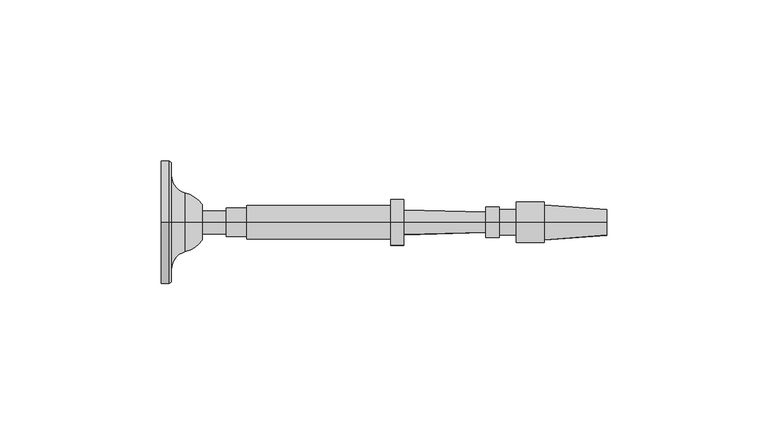
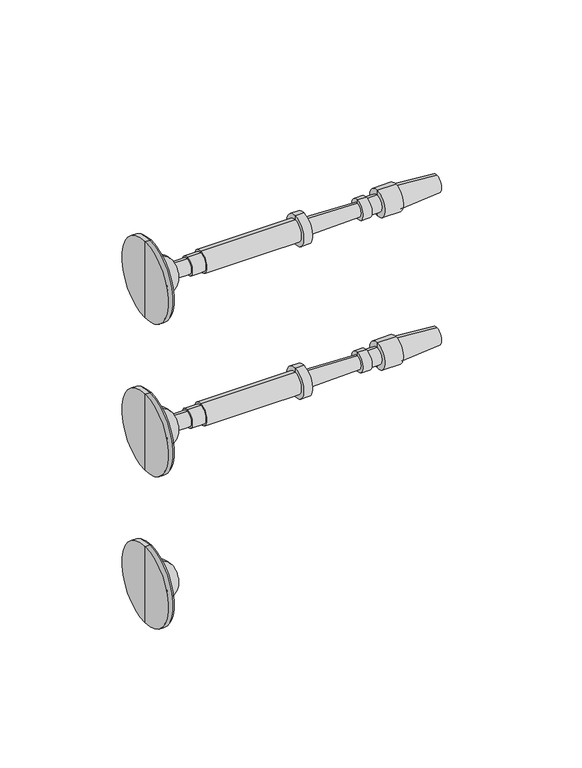
"""IFC4 building model written with IfcOpenShell, lengths in millimetres: railing geometry."""

from ifc_helpers import new_model, si_unit, point, frame, origin, place, context, project, spatial, polyline, circle_curve, ellipse_curve, trimmed, source, transform, mapped, element, save
from ifc_brep_helpers import plane_surface, cylinder_surface, revolved_surface, advanced_brep


def railing_03d107fd(model_context):
    return source(origin(), model_context, "Body", "AdvancedBrep", [
        advanced_brep(
        [(1809.936189, 16706.2866843, 32915.0001631), (1809.936189, 16706.2866843, 32895.9501631), (1809.936189, 16706.2866843, 32934.0501631), (1822.6288256, 16706.2866843, 32909.4769785), (1822.6288256, 16706.2866843, 32915.0001631), (1822.6288256, 16706.2866843, 32920.5233478), (1817.3527292, 16706.2866843, 32905.8720381), (1817.3527292, 16706.2866843, 32924.1282881), (1812.9871042, 16706.2866843, 32900.2458254), (1812.9871042, 16706.2866843, 32929.7545009), (1812.9871042, 16706.2866843, 32896.3762941), (1812.9871042, 16706.2866843, 32933.6240321), (1812.317439, 16706.2866843, 32895.9501631), (1812.317439, 16706.2866843, 32934.0501631)],
        [
            (0, 1),
            (1, 2, circle_curve(frame((1809.936189, 16706.2866843, 32915.0001631), z_axis=(-1.0, 0.0, 0.0), x_axis=(0.0, 0.0, 1.0)), 19.05)),
            (2, 0),
            (2, 1, circle_curve(frame((1809.936189, 16706.2866843, 32915.0001631), z_axis=(-1.0, 0.0, 0.0), x_axis=(0.0, 0.0, 1.0)), 19.05)),
            (3, 4),
            (4, 5),
            (5, 3, circle_curve(frame((1822.6288256, 16706.2866843, 32915.0001631), z_axis=(1.0, 0.0, 0.0), x_axis=(0.0, 0.0, 1.0)), 5.5231846)),
            (3, 5, circle_curve(frame((1822.6288256, 16706.2866843, 32915.0001631), z_axis=(1.0, 0.0, 0.0), x_axis=(0.0, 0.0, 1.0)), 5.5231846)),
            (6, 3, circle_curve(frame((1815.0283205, 16706.2866843, 32914.9374304), z_axis=(0.0, -1.0, 0.0), x_axis=(1.0, 0.0, 0.0)), 9.3586438)),
            (5, 7, circle_curve(frame((1815.0283205, 16706.2866843, 32915.0628958), z_axis=(0.0, -1.0, 0.0), x_axis=(1.0, 0.0, 0.0)), 9.3586438)),
            (7, 6, circle_curve(frame((1817.3527292, 16706.2866843, 32915.0001631), z_axis=(1.0, 0.0, 0.0), x_axis=(0.0, 0.0, 1.0)), 9.128125)),
            (6, 7, circle_curve(frame((1817.3527292, 16706.2866843, 32915.0001631), z_axis=(1.0, 0.0, 0.0), x_axis=(0.0, 0.0, 1.0)), 9.128125)),
            (8, 6, circle_curve(frame((1818.7953162, 16706.2866843, 32900.2458254), z_axis=(0.0, 1.0, 0.0), x_axis=(1.0, 0.0, 0.0)), 5.8082121)),
            (7, 9, circle_curve(frame((1818.7953162, 16706.2866843, 32929.7545009), z_axis=(0.0, 1.0, 0.0), x_axis=(1.0, 0.0, 0.0)), 5.8082121)),
            (9, 8, circle_curve(frame((1812.9871042, 16706.2866843, 32915.0001631), z_axis=(1.0, 0.0, 0.0), x_axis=(0.0, 0.0, 1.0)), 14.7543378)),
            (8, 9, circle_curve(frame((1812.9871042, 16706.2866843, 32915.0001631), z_axis=(1.0, 0.0, 0.0), x_axis=(0.0, 0.0, 1.0)), 14.7543378)),
            (10, 8),
            (9, 11),
            (11, 10, circle_curve(frame((1812.9871042, 16706.2866843, 32915.0001631), z_axis=(1.0, 0.0, 0.0), x_axis=(0.0, 0.0, 1.0)), 18.623869)),
            (10, 11, circle_curve(frame((1812.9871042, 16706.2866843, 32915.0001631), z_axis=(1.0, 0.0, 0.0), x_axis=(0.0, 0.0, 1.0)), 18.623869)),
            (12, 10),
            (11, 13),
            (13, 12, circle_curve(frame((1812.317439, 16706.2866843, 32915.0001631), z_axis=(1.0, 0.0, 0.0), x_axis=(0.0, 0.0, 1.0)), 19.05)),
            (12, 13, circle_curve(frame((1812.317439, 16706.2866843, 32915.0001631), z_axis=(1.0, 0.0, 0.0), x_axis=(0.0, 0.0, 1.0)), 19.05)),
            (1, 12),
            (13, 2),
        ],
        [
            plane_surface(frame((1809.936189, 16706.2866843, 32915.0001631), z_axis=(-1.0, 0.0, 0.0), x_axis=(0.0, 0.0, 1.0))),
            plane_surface(frame((1822.6288256, 16706.2866843, 32915.0001631), z_axis=(1.0, 0.0, 0.0), x_axis=(0.0, 0.0, 1.0))),
            revolved_surface(trimmed(ellipse_curve(frame((1815.0283205, 16706.2866843, 32915.0628958), z_axis=(0.0, -1.0, 0.0), x_axis=(1.0, 0.0, 0.0)), 9.3586438, 9.3586438), [point((1822.6288256, 16706.2866843, 32920.5233478))], [point((1817.3527292, 16706.2866843, 32924.1282881))], True, "CARTESIAN"), (1809.936189, 16706.2866843, 32915.0001631), (-1.0, 0.0, 0.0)),
            revolved_surface(trimmed(ellipse_curve(frame((1818.7953162, 16706.2866843, 32929.7545009), z_axis=(0.0, 1.0, 0.0), x_axis=(1.0, 0.0, 0.0)), 5.8082121, 5.8082121), [point((1817.3527292, 16706.2866843, 32924.1282881))], [point((1812.9871042, 16706.2866843, 32929.7545009))], True, "CARTESIAN"), (1809.936189, 16706.2866843, 32915.0001631), (-1.0, 0.0, 0.0)),
            plane_surface(frame((1812.9871042, 16706.2866843, 32915.0001631), z_axis=(1.0, 0.0, 0.0), x_axis=(0.0, 0.0, 1.0))),
            revolved_surface(polyline([(1812.9871042, 16706.2866843, 32933.6240321), (1812.317439, 16706.2866843, 32934.0501631)]), (1809.936189, 16706.2866843, 32915.0001631), (-1.0, 0.0, 0.0)),
            cylinder_surface(frame((1809.936189, 16706.2866843, 32915.0001631), z_axis=(-1.0, 0.0, 0.0), x_axis=(0.0, 0.0, 1.0)), 19.05),
        ],
        [
            (0, [[1, 2, 3]]),
            (0, [[-3, 4, -1]]),
            (1, [[5, 6, 7]]),
            (1, [[-6, -5, 8]]),
            (2, [[9, -7, 10, 11]]),
            (2, [[-10, -8, -9, 12]]),
            (3, [[13, -11, 14, 15]]),
            (3, [[-14, -12, -13, 16]]),
            (4, [[17, -15, 18, 19]]),
            (4, [[-18, -16, -17, 20]]),
            (5, [[21, -19, 22, 23]]),
            (5, [[-22, -20, -21, 24]]),
            (6, [[25, -23, 26, -2]]),
            (6, [[-26, -24, -25, -4]]),
        ],
    ),
        advanced_brep(
        [(1822.6288256, 16706.2866843, 32911.4282881), (1822.6288256, 16706.2866843, 32918.5720381), (1822.6288256, 16706.2866843, 32915.0001631), (1947.5727148, 16706.2866843, 32915.0001631), (1947.8683792, 16706.2866843, 32919.0246235), (1947.8683792, 16706.2866843, 32910.9757028), (1928.5250152, 16706.2866843, 32920.445719), (1928.5250152, 16706.2866843, 32909.5546072), (1928.5250152, 16706.2866843, 32921.3386877), (1928.5250152, 16706.2866843, 32908.6616385), (1919.892984, 16706.2866843, 32921.3386877), (1919.892984, 16706.2866843, 32908.6616385), (1919.892984, 16706.2866843, 32918.9574377), (1919.892984, 16706.2866843, 32911.0428885), (1914.5351715, 16706.2866843, 32918.9574377), (1914.5351715, 16706.2866843, 32911.0428885), (1914.5351715, 16706.2866843, 32919.7511877), (1914.5351715, 16706.2866843, 32910.2491385), (1910.4672027, 16706.2866843, 32919.7511877), (1910.4672027, 16706.2866843, 32910.2491385), (1910.4231156, 16706.2866843, 32918.1643), (1910.4231156, 16706.2866843, 32911.8360262), (1885.0329124, 16706.2866843, 32918.8696944), (1885.0329124, 16706.2866843, 32911.1306319), (1885.0329124, 16706.2866843, 32922.1439131), (1885.0329124, 16706.2866843, 32907.8564131), (1881.0641624, 16706.2866843, 32922.1439131), (1881.0641624, 16706.2866843, 32907.8564131), (1881.0641624, 16706.2866843, 32920.1595381), (1881.0641624, 16706.2866843, 32909.8407881), (1836.3165061, 16706.2866843, 32920.1595381), (1836.3165061, 16706.2866843, 32909.8407881), (1836.3165061, 16706.2866843, 32919.3657881), (1836.3165061, 16706.2866843, 32910.6345381), (1829.9665061, 16706.2866843, 32919.3657881), (1829.9665061, 16706.2866843, 32910.6345381), (1829.9665061, 16706.2866843, 32918.5720381), (1829.9665061, 16706.2866843, 32911.4282881)],
        [
            (0, 1, circle_curve(frame((1822.6288256, 16706.2866843, 32915.0001631), z_axis=(-1.0, 0.0, 0.0), x_axis=(0.0, 0.0, 1.0000000000000002)), 3.571875)),
            (1, 2),
            (2, 0),
            (1, 0, circle_curve(frame((1822.6288256, 16706.2866843, 32915.0001631), z_axis=(-1.0, 0.0, 0.0), x_axis=(0.0, 0.0, 1.0000000000000002)), 3.571875)),
            (3, 4),
            (4, 5, circle_curve(frame((1947.8683792, 16706.2866843, 32915.0001631), z_axis=(1.0, 0.0, 0.0), x_axis=(0.0, 0.0, 1.0000000000000002)), 4.0244604)),
            (5, 3),
            (5, 4, circle_curve(frame((1947.8683792, 16706.2866843, 32915.0001631), z_axis=(1.0, 0.0, 0.0), x_axis=(0.0, 0.0, 1.0000000000000002)), 4.0244604)),
            (4, 6),
            (6, 7, circle_curve(frame((1928.5250152, 16706.2866843, 32915.0001631), z_axis=(1.0, 0.0, 0.0), x_axis=(0.0, 0.0, 1.0000000000000002)), 5.4455559)),
            (7, 5),
            (7, 6, circle_curve(frame((1928.5250152, 16706.2866843, 32915.0001631), z_axis=(1.0, 0.0, 0.0), x_axis=(0.0, 0.0, 1.0000000000000002)), 5.4455559)),
            (6, 8),
            (8, 9, circle_curve(frame((1928.5250152, 16706.2866843, 32915.0001631), z_axis=(1.0, 0.0, 0.0), x_axis=(0.0, 0.0, 1.0000000000000002)), 6.3385246)),
            (9, 7),
            (9, 8, circle_curve(frame((1928.5250152, 16706.2866843, 32915.0001631), z_axis=(1.0, 0.0, 0.0), x_axis=(0.0, 0.0, 1.0000000000000002)), 6.3385246)),
            (8, 10),
            (10, 11, circle_curve(frame((1919.892984, 16706.2866843, 32915.0001631), z_axis=(1.0, 0.0, 0.0), x_axis=(0.0, 0.0, 1.0000000000000002)), 6.3385246)),
            (11, 9),
            (11, 10, circle_curve(frame((1919.892984, 16706.2866843, 32915.0001631), z_axis=(1.0, 0.0, 0.0), x_axis=(0.0, 0.0, 1.0000000000000002)), 6.3385246)),
            (10, 12),
            (12, 13, circle_curve(frame((1919.892984, 16706.2866843, 32915.0001631), z_axis=(1.0, 0.0, 0.0), x_axis=(0.0, 0.0, 1.0000000000000002)), 3.9572746)),
            (13, 11),
            (13, 12, circle_curve(frame((1919.892984, 16706.2866843, 32915.0001631), z_axis=(1.0, 0.0, 0.0), x_axis=(0.0, 0.0, 1.0000000000000002)), 3.9572746)),
            (12, 14),
            (14, 15, circle_curve(frame((1914.5351715, 16706.2866843, 32915.0001631), z_axis=(1.0, 0.0, 0.0), x_axis=(0.0, 0.0, 1.0000000000000002)), 3.9572746)),
            (15, 13),
            (15, 14, circle_curve(frame((1914.5351715, 16706.2866843, 32915.0001631), z_axis=(1.0, 0.0, 0.0), x_axis=(0.0, 0.0, 1.0000000000000002)), 3.9572746)),
            (14, 16),
            (16, 17, circle_curve(frame((1914.5351715, 16706.2866843, 32915.0001631), z_axis=(1.0, 0.0, 0.0), x_axis=(0.0, 0.0, 1.0000000000000002)), 4.7510246)),
            (17, 15),
            (17, 16, circle_curve(frame((1914.5351715, 16706.2866843, 32915.0001631), z_axis=(1.0, 0.0, 0.0), x_axis=(0.0, 0.0, 1.0000000000000002)), 4.7510246)),
            (16, 18),
            (18, 19, circle_curve(frame((1910.4672027, 16706.2866843, 32915.0001631), z_axis=(1.0, 0.0, 0.0), x_axis=(0.0, 0.0, 1.0000000000000002)), 4.7510246)),
            (19, 17),
            (19, 18, circle_curve(frame((1910.4672027, 16706.2866843, 32915.0001631), z_axis=(1.0, 0.0, 0.0), x_axis=(0.0, 0.0, 1.0000000000000002)), 4.7510246)),
            (18, 20),
            (20, 21, circle_curve(frame((1910.4231156, 16706.2866843, 32915.0001631), z_axis=(1.0, 0.0, 0.0), x_axis=(0.0, 0.0, 1.0000000000000002)), 3.1641369)),
            (21, 19),
            (21, 20, circle_curve(frame((1910.4231156, 16706.2866843, 32915.0001631), z_axis=(1.0, 0.0, 0.0), x_axis=(0.0, 0.0, 1.0000000000000002)), 3.1641369)),
            (20, 22),
            (22, 23, circle_curve(frame((1885.0329124, 16706.2866843, 32915.0001631), z_axis=(1.0, 0.0, 0.0), x_axis=(0.0, 0.0, 1.0000000000000002)), 3.8695313)),
            (23, 21),
            (23, 22, circle_curve(frame((1885.0329124, 16706.2866843, 32915.0001631), z_axis=(1.0, 0.0, 0.0), x_axis=(0.0, 0.0, 1.0000000000000002)), 3.8695313)),
            (22, 24),
            (24, 25, circle_curve(frame((1885.0329124, 16706.2866843, 32915.0001631), z_axis=(1.0, 0.0, 0.0), x_axis=(0.0, 0.0, 1.0000000000000002)), 7.14375)),
            (25, 23),
            (25, 24, circle_curve(frame((1885.0329124, 16706.2866843, 32915.0001631), z_axis=(1.0, 0.0, 0.0), x_axis=(0.0, 0.0, 1.0000000000000002)), 7.14375)),
            (24, 26),
            (26, 27, circle_curve(frame((1881.0641624, 16706.2866843, 32915.0001631), z_axis=(1.0, 0.0, 0.0), x_axis=(0.0, 0.0, 1.0000000000000002)), 7.14375)),
            (27, 25),
            (27, 26, circle_curve(frame((1881.0641624, 16706.2866843, 32915.0001631), z_axis=(1.0, 0.0, 0.0), x_axis=(0.0, 0.0, 1.0000000000000002)), 7.14375)),
            (26, 28),
            (28, 29, circle_curve(frame((1881.0641624, 16706.2866843, 32915.0001631), z_axis=(1.0, 0.0, 0.0), x_axis=(0.0, 0.0, 1.0000000000000002)), 5.159375)),
            (29, 27),
            (29, 28, circle_curve(frame((1881.0641624, 16706.2866843, 32915.0001631), z_axis=(1.0, 0.0, 0.0), x_axis=(0.0, 0.0, 1.0000000000000002)), 5.159375)),
            (28, 30),
            (30, 31, circle_curve(frame((1836.3165061, 16706.2866843, 32915.0001631), z_axis=(1.0, 0.0, 0.0), x_axis=(0.0, 0.0, 1.0000000000000002)), 5.159375)),
            (31, 29),
            (31, 30, circle_curve(frame((1836.3165061, 16706.2866843, 32915.0001631), z_axis=(1.0, 0.0, 0.0), x_axis=(0.0, 0.0, 1.0000000000000002)), 5.159375)),
            (30, 32),
            (32, 33, circle_curve(frame((1836.3165061, 16706.2866843, 32915.0001631), z_axis=(1.0, 0.0, 0.0), x_axis=(0.0, 0.0, 1.0000000000000002)), 4.365625)),
            (33, 31),
            (33, 32, circle_curve(frame((1836.3165061, 16706.2866843, 32915.0001631), z_axis=(1.0, 0.0, 0.0), x_axis=(0.0, 0.0, 1.0000000000000002)), 4.365625)),
            (32, 34),
            (34, 35, circle_curve(frame((1829.9665061, 16706.2866843, 32915.0001631), z_axis=(1.0, 0.0, 0.0), x_axis=(0.0, 0.0, 1.0000000000000002)), 4.365625)),
            (35, 33),
            (35, 34, circle_curve(frame((1829.9665061, 16706.2866843, 32915.0001631), z_axis=(1.0, 0.0, 0.0), x_axis=(0.0, 0.0, 1.0000000000000002)), 4.365625)),
            (34, 36),
            (36, 37, circle_curve(frame((1829.9665061, 16706.2866843, 32915.0001631), z_axis=(1.0, 0.0, 0.0), x_axis=(0.0, 0.0, 1.0000000000000002)), 3.571875)),
            (37, 35),
            (37, 36, circle_curve(frame((1829.9665061, 16706.2866843, 32915.0001631), z_axis=(1.0, 0.0, 0.0), x_axis=(0.0, 0.0, 1.0000000000000002)), 3.571875)),
            (36, 1),
            (0, 37),
        ],
        [
            plane_surface(frame((1822.6288256, 16706.2866843, 32915.0001631), z_axis=(-1.0, 0.0, 0.0), x_axis=(0.0, 0.0, 1.0))),
            revolved_surface(polyline([(1947.8683792, 16706.2866843, 32919.0246235), (1947.5727148, 16706.2866843, 32915.0001631)]), (1947.5727148, 16706.2866843, 32915.0001631), (1.0, 0.0, 0.0)),
            revolved_surface(polyline([(1928.5250152, 16706.2866843, 32920.445719), (1947.8683792, 16706.2866843, 32919.0246235)]), (1947.5727148, 16706.2866843, 32915.0001631), (1.0, 0.0, 0.0)),
            plane_surface(frame((1928.5250152, 16706.2866843, 32915.0001631), z_axis=(1.0, 0.0, 0.0), x_axis=(0.0, 0.0, 1.0))),
            cylinder_surface(frame((1947.5727148, 16706.2866843, 32915.0001631), z_axis=(1.0, 0.0, 0.0), x_axis=(0.0, 0.0, 1.0000000000000002)), 6.3385246),
            plane_surface(frame((1919.892984, 16706.2866843, 32915.0001631), z_axis=(-1.0, 0.0, 0.0), x_axis=(0.0, 0.0, 1.0))),
            cylinder_surface(frame((1947.5727148, 16706.2866843, 32915.0001631), z_axis=(1.0, 0.0, 0.0), x_axis=(0.0, 0.0, 1.0000000000000002)), 3.9572746),
            plane_surface(frame((1914.5351715, 16706.2866843, 32915.0001631), z_axis=(1.0, 0.0, 0.0), x_axis=(0.0, 0.0, 1.0))),
            cylinder_surface(frame((1947.5727148, 16706.2866843, 32915.0001631), z_axis=(1.0, 0.0, 0.0), x_axis=(0.0, 0.0, 1.0000000000000002)), 4.7510246),
            plane_surface(frame((1910.4231156, 16706.2866843, 32915.0001631), z_axis=(-1.0, 0.0, 0.0), x_axis=(0.0, 0.0, 1.0))),
            revolved_surface(polyline([(1885.0329124, 16706.2866843, 32918.8696944), (1910.4231156, 16706.2866843, 32918.1643)]), (1947.5727148, 16706.2866843, 32915.0001631), (1.0, 0.0, 0.0)),
            plane_surface(frame((1885.0329124, 16706.2866843, 32915.0001631), z_axis=(1.0, 0.0, 0.0), x_axis=(0.0, 0.0, 1.0))),
            cylinder_surface(frame((1947.5727148, 16706.2866843, 32915.0001631), z_axis=(1.0, 0.0, 0.0), x_axis=(0.0, 0.0, 1.0000000000000002)), 7.14375),
            plane_surface(frame((1881.0641624, 16706.2866843, 32915.0001631), z_axis=(-1.0, 0.0, 0.0), x_axis=(0.0, 0.0, 1.0))),
            cylinder_surface(frame((1947.5727148, 16706.2866843, 32915.0001631), z_axis=(1.0, 0.0, 0.0), x_axis=(0.0, 0.0, 1.0000000000000002)), 5.159375),
            plane_surface(frame((1836.3165061, 16706.2866843, 32915.0001631), z_axis=(-1.0, 0.0, 0.0), x_axis=(0.0, 0.0, 1.0))),
            cylinder_surface(frame((1947.5727148, 16706.2866843, 32915.0001631), z_axis=(1.0, 0.0, 0.0), x_axis=(0.0, 0.0, 1.0000000000000002)), 4.365625),
            plane_surface(frame((1829.9665061, 16706.2866843, 32915.0001631), z_axis=(-1.0, 0.0, 0.0), x_axis=(0.0, 0.0, 1.0))),
            cylinder_surface(frame((1947.5727148, 16706.2866843, 32915.0001631), z_axis=(1.0, 0.0, 0.0), x_axis=(0.0, 0.0, 1.0000000000000002)), 3.571875),
        ],
        [
            (0, [[1, 2, 3]]),
            (0, [[4, -3, -2]]),
            (1, [[5, 6, 7]]),
            (1, [[-7, 8, -5]]),
            (2, [[-6, 9, 10, 11]]),
            (2, [[-8, -11, 12, -9]]),
            (3, [[-10, 13, 14, 15]]),
            (3, [[-12, -15, 16, -13]]),
            (4, [[-14, 17, 18, 19]]),
            (4, [[-16, -19, 20, -17]]),
            (5, [[-18, 21, 22, 23]]),
            (5, [[-20, -23, 24, -21]]),
            (6, [[-22, 25, 26, 27]]),
            (6, [[-24, -27, 28, -25]]),
            (7, [[-26, 29, 30, 31]]),
            (7, [[-28, -31, 32, -29]]),
            (8, [[-30, 33, 34, 35]]),
            (8, [[-32, -35, 36, -33]]),
            (9, [[-34, 37, 38, 39]]),
            (9, [[-36, -39, 40, -37]]),
            (10, [[-38, 41, 42, 43]]),
            (10, [[-40, -43, 44, -41]]),
            (11, [[-42, 45, 46, 47]]),
            (11, [[-44, -47, 48, -45]]),
            (12, [[-46, 49, 50, 51]]),
            (12, [[-48, -51, 52, -49]]),
            (13, [[-50, 53, 54, 55]]),
            (13, [[-52, -55, 56, -53]]),
            (14, [[-54, 57, 58, 59]]),
            (14, [[-56, -59, 60, -57]]),
            (15, [[-58, 61, 62, 63]]),
            (15, [[-60, -63, 64, -61]]),
            (16, [[-62, 65, 66, 67]]),
            (16, [[-64, -67, 68, -65]]),
            (17, [[-66, 69, 70, 71]]),
            (17, [[-68, -71, 72, -69]]),
            (18, [[-70, 73, -1, 74]]),
            (18, [[-72, -74, -4, -73]]),
        ],
    ),
        advanced_brep(
        [(1809.936189, 16706.2866843, 32838.8001631), (1809.936189, 16706.2866843, 32819.7501631), (1809.936189, 16706.2866843, 32857.8501631), (1822.6288256, 16706.2866843, 32833.2769785), (1822.6288256, 16706.2866843, 32838.8001631), (1822.6288256, 16706.2866843, 32844.3233478), (1817.3527292, 16706.2866843, 32829.6720381), (1817.3527292, 16706.2866843, 32847.9282881), (1812.9871042, 16706.2866843, 32824.0458254), (1812.9871042, 16706.2866843, 32853.5545009), (1812.9871042, 16706.2866843, 32820.1762941), (1812.9871042, 16706.2866843, 32857.4240321), (1812.317439, 16706.2866843, 32819.7501631), (1812.317439, 16706.2866843, 32857.8501631)],
        [
            (0, 1),
            (1, 2, circle_curve(frame((1809.936189, 16706.2866843, 32838.8001631), z_axis=(-1.0, 0.0, 0.0), x_axis=(0.0, 0.0, 1.0)), 19.05)),
            (2, 0),
            (2, 1, circle_curve(frame((1809.936189, 16706.2866843, 32838.8001631), z_axis=(-1.0, 0.0, 0.0), x_axis=(0.0, 0.0, 1.0)), 19.05)),
            (3, 4),
            (4, 5),
            (5, 3, circle_curve(frame((1822.6288256, 16706.2866843, 32838.8001631), z_axis=(1.0, 0.0, 0.0), x_axis=(0.0, 0.0, 1.0)), 5.5231846)),
            (3, 5, circle_curve(frame((1822.6288256, 16706.2866843, 32838.8001631), z_axis=(1.0, 0.0, 0.0), x_axis=(0.0, 0.0, 1.0)), 5.5231846)),
            (6, 3, circle_curve(frame((1815.0283205, 16706.2866843, 32838.7374304), z_axis=(0.0, -1.0, 0.0), x_axis=(1.0, 0.0, 0.0)), 9.3586438)),
            (5, 7, circle_curve(frame((1815.0283205, 16706.2866843, 32838.8628958), z_axis=(0.0, -1.0, 0.0), x_axis=(1.0, 0.0, 0.0)), 9.3586438)),
            (7, 6, circle_curve(frame((1817.3527292, 16706.2866843, 32838.8001631), z_axis=(1.0, 0.0, 0.0), x_axis=(0.0, 0.0, 1.0)), 9.128125)),
            (6, 7, circle_curve(frame((1817.3527292, 16706.2866843, 32838.8001631), z_axis=(1.0, 0.0, 0.0), x_axis=(0.0, 0.0, 1.0)), 9.128125)),
            (8, 6, circle_curve(frame((1818.7953162, 16706.2866843, 32824.0458254), z_axis=(0.0, 1.0, 0.0), x_axis=(1.0, 0.0, 0.0)), 5.8082121)),
            (7, 9, circle_curve(frame((1818.7953162, 16706.2866843, 32853.5545009), z_axis=(0.0, 1.0, 0.0), x_axis=(1.0, 0.0, 0.0)), 5.8082121)),
            (9, 8, circle_curve(frame((1812.9871042, 16706.2866843, 32838.8001631), z_axis=(1.0, 0.0, 0.0), x_axis=(0.0, 0.0, 1.0)), 14.7543378)),
            (8, 9, circle_curve(frame((1812.9871042, 16706.2866843, 32838.8001631), z_axis=(1.0, 0.0, 0.0), x_axis=(0.0, 0.0, 1.0)), 14.7543378)),
            (10, 8),
            (9, 11),
            (11, 10, circle_curve(frame((1812.9871042, 16706.2866843, 32838.8001631), z_axis=(1.0, 0.0, 0.0), x_axis=(0.0, 0.0, 1.0)), 18.623869)),
            (10, 11, circle_curve(frame((1812.9871042, 16706.2866843, 32838.8001631), z_axis=(1.0, 0.0, 0.0), x_axis=(0.0, 0.0, 1.0)), 18.623869)),
            (12, 10),
            (11, 13),
            (13, 12, circle_curve(frame((1812.317439, 16706.2866843, 32838.8001631), z_axis=(1.0, 0.0, 0.0), x_axis=(0.0, 0.0, 1.0)), 19.05)),
            (12, 13, circle_curve(frame((1812.317439, 16706.2866843, 32838.8001631), z_axis=(1.0, 0.0, 0.0), x_axis=(0.0, 0.0, 1.0)), 19.05)),
            (1, 12),
            (13, 2),
        ],
        [
            plane_surface(frame((1809.936189, 16706.2866843, 32838.8001631), z_axis=(-1.0, 0.0, 0.0), x_axis=(0.0, 0.0, 1.0))),
            plane_surface(frame((1822.6288256, 16706.2866843, 32838.8001631), z_axis=(1.0, 0.0, 0.0), x_axis=(0.0, 0.0, 1.0))),
            revolved_surface(trimmed(ellipse_curve(frame((1815.0283205, 16706.2866843, 32838.8628958), z_axis=(0.0, -1.0, 0.0), x_axis=(1.0, 0.0, 0.0)), 9.3586438, 9.3586438), [point((1822.6288256, 16706.2866843, 32844.3233478))], [point((1817.3527292, 16706.2866843, 32847.9282881))], True, "CARTESIAN"), (1809.936189, 16706.2866843, 32838.8001631), (-1.0, 0.0, 0.0)),
            revolved_surface(trimmed(ellipse_curve(frame((1818.7953162, 16706.2866843, 32853.5545009), z_axis=(0.0, 1.0, 0.0), x_axis=(1.0, 0.0, 0.0)), 5.8082121, 5.8082121), [point((1817.3527292, 16706.2866843, 32847.9282881))], [point((1812.9871042, 16706.2866843, 32853.5545009))], True, "CARTESIAN"), (1809.936189, 16706.2866843, 32838.8001631), (-1.0, 0.0, 0.0)),
            plane_surface(frame((1812.9871042, 16706.2866843, 32838.8001631), z_axis=(1.0, 0.0, 0.0), x_axis=(0.0, 0.0, 1.0))),
            revolved_surface(polyline([(1812.9871042, 16706.2866843, 32857.4240321), (1812.317439, 16706.2866843, 32857.8501631)]), (1809.936189, 16706.2866843, 32838.8001631), (-1.0, 0.0, 0.0)),
            cylinder_surface(frame((1809.936189, 16706.2866843, 32838.8001631), z_axis=(-1.0, 0.0, 0.0), x_axis=(0.0, 0.0, 1.0)), 19.05),
        ],
        [
            (0, [[1, 2, 3]]),
            (0, [[-3, 4, -1]]),
            (1, [[5, 6, 7]]),
            (1, [[-6, -5, 8]]),
            (2, [[9, -7, 10, 11]]),
            (2, [[-10, -8, -9, 12]]),
            (3, [[13, -11, 14, 15]]),
            (3, [[-14, -12, -13, 16]]),
            (4, [[17, -15, 18, 19]]),
            (4, [[-18, -16, -17, 20]]),
            (5, [[21, -19, 22, 23]]),
            (5, [[-22, -20, -21, 24]]),
            (6, [[25, -23, 26, -2]]),
            (6, [[-26, -24, -25, -4]]),
        ],
    ),
        advanced_brep(
        [(1822.6288256, 16706.2866843, 32835.2282881), (1822.6288256, 16706.2866843, 32842.3720381), (1822.6288256, 16706.2866843, 32838.8001631), (1947.5727148, 16706.2866843, 32838.8001631), (1947.8683792, 16706.2866843, 32842.8246235), (1947.8683792, 16706.2866843, 32834.7757028), (1928.5250152, 16706.2866843, 32844.245719), (1928.5250152, 16706.2866843, 32833.3546072), (1928.5250152, 16706.2866843, 32845.1386877), (1928.5250152, 16706.2866843, 32832.4616385), (1919.892984, 16706.2866843, 32845.1386877), (1919.892984, 16706.2866843, 32832.4616385), (1919.892984, 16706.2866843, 32842.7574377), (1919.892984, 16706.2866843, 32834.8428885), (1914.5351715, 16706.2866843, 32842.7574377), (1914.5351715, 16706.2866843, 32834.8428885), (1914.5351715, 16706.2866843, 32843.5511877), (1914.5351715, 16706.2866843, 32834.0491385), (1910.4672027, 16706.2866843, 32843.5511877), (1910.4672027, 16706.2866843, 32834.0491385), (1910.4231156, 16706.2866843, 32841.9643), (1910.4231156, 16706.2866843, 32835.6360262), (1885.0329124, 16706.2866843, 32842.6696944), (1885.0329124, 16706.2866843, 32834.9306319), (1885.0329124, 16706.2866843, 32845.9439131), (1885.0329124, 16706.2866843, 32831.6564131), (1881.0641624, 16706.2866843, 32845.9439131), (1881.0641624, 16706.2866843, 32831.6564131), (1881.0641624, 16706.2866843, 32843.9595381), (1881.0641624, 16706.2866843, 32833.6407881), (1836.3165061, 16706.2866843, 32843.9595381), (1836.3165061, 16706.2866843, 32833.6407881), (1836.3165061, 16706.2866843, 32843.1657881), (1836.3165061, 16706.2866843, 32834.4345381), (1829.9665061, 16706.2866843, 32843.1657881), (1829.9665061, 16706.2866843, 32834.4345381), (1829.9665061, 16706.2866843, 32842.3720381), (1829.9665061, 16706.2866843, 32835.2282881)],
        [
            (0, 1, circle_curve(frame((1822.6288256, 16706.2866843, 32838.8001631), z_axis=(-1.0, 0.0, 0.0), x_axis=(0.0, 0.0, 1.0000000000000002)), 3.571875)),
            (1, 2),
            (2, 0),
            (1, 0, circle_curve(frame((1822.6288256, 16706.2866843, 32838.8001631), z_axis=(-1.0, 0.0, 0.0), x_axis=(0.0, 0.0, 1.0000000000000002)), 3.571875)),
            (3, 4),
            (4, 5, circle_curve(frame((1947.8683792, 16706.2866843, 32838.8001631), z_axis=(1.0, 0.0, 0.0), x_axis=(0.0, 0.0, 1.0000000000000002)), 4.0244604)),
            (5, 3),
            (5, 4, circle_curve(frame((1947.8683792, 16706.2866843, 32838.8001631), z_axis=(1.0, 0.0, 0.0), x_axis=(0.0, 0.0, 1.0000000000000002)), 4.0244604)),
            (4, 6),
            (6, 7, circle_curve(frame((1928.5250152, 16706.2866843, 32838.8001631), z_axis=(1.0, 0.0, 0.0), x_axis=(0.0, 0.0, 1.0000000000000002)), 5.4455559)),
            (7, 5),
            (7, 6, circle_curve(frame((1928.5250152, 16706.2866843, 32838.8001631), z_axis=(1.0, 0.0, 0.0), x_axis=(0.0, 0.0, 1.0000000000000002)), 5.4455559)),
            (6, 8),
            (8, 9, circle_curve(frame((1928.5250152, 16706.2866843, 32838.8001631), z_axis=(1.0, 0.0, 0.0), x_axis=(0.0, 0.0, 1.0000000000000002)), 6.3385246)),
            (9, 7),
            (9, 8, circle_curve(frame((1928.5250152, 16706.2866843, 32838.8001631), z_axis=(1.0, 0.0, 0.0), x_axis=(0.0, 0.0, 1.0000000000000002)), 6.3385246)),
            (8, 10),
            (10, 11, circle_curve(frame((1919.892984, 16706.2866843, 32838.8001631), z_axis=(1.0, 0.0, 0.0), x_axis=(0.0, 0.0, 1.0000000000000002)), 6.3385246)),
            (11, 9),
            (11, 10, circle_curve(frame((1919.892984, 16706.2866843, 32838.8001631), z_axis=(1.0, 0.0, 0.0), x_axis=(0.0, 0.0, 1.0000000000000002)), 6.3385246)),
            (10, 12),
            (12, 13, circle_curve(frame((1919.892984, 16706.2866843, 32838.8001631), z_axis=(1.0, 0.0, 0.0), x_axis=(0.0, 0.0, 1.0000000000000002)), 3.9572746)),
            (13, 11),
            (13, 12, circle_curve(frame((1919.892984, 16706.2866843, 32838.8001631), z_axis=(1.0, 0.0, 0.0), x_axis=(0.0, 0.0, 1.0000000000000002)), 3.9572746)),
            (12, 14),
            (14, 15, circle_curve(frame((1914.5351715, 16706.2866843, 32838.8001631), z_axis=(1.0, 0.0, 0.0), x_axis=(0.0, 0.0, 1.0000000000000002)), 3.9572746)),
            (15, 13),
            (15, 14, circle_curve(frame((1914.5351715, 16706.2866843, 32838.8001631), z_axis=(1.0, 0.0, 0.0), x_axis=(0.0, 0.0, 1.0000000000000002)), 3.9572746)),
            (14, 16),
            (16, 17, circle_curve(frame((1914.5351715, 16706.2866843, 32838.8001631), z_axis=(1.0, 0.0, 0.0), x_axis=(0.0, 0.0, 1.0000000000000002)), 4.7510246)),
            (17, 15),
            (17, 16, circle_curve(frame((1914.5351715, 16706.2866843, 32838.8001631), z_axis=(1.0, 0.0, 0.0), x_axis=(0.0, 0.0, 1.0000000000000002)), 4.7510246)),
            (16, 18),
            (18, 19, circle_curve(frame((1910.4672027, 16706.2866843, 32838.8001631), z_axis=(1.0, 0.0, 0.0), x_axis=(0.0, 0.0, 1.0000000000000002)), 4.7510246)),
            (19, 17),
            (19, 18, circle_curve(frame((1910.4672027, 16706.2866843, 32838.8001631), z_axis=(1.0, 0.0, 0.0), x_axis=(0.0, 0.0, 1.0000000000000002)), 4.7510246)),
            (18, 20),
            (20, 21, circle_curve(frame((1910.4231156, 16706.2866843, 32838.8001631), z_axis=(1.0, 0.0, 0.0), x_axis=(0.0, 0.0, 1.0000000000000002)), 3.1641369)),
            (21, 19),
            (21, 20, circle_curve(frame((1910.4231156, 16706.2866843, 32838.8001631), z_axis=(1.0, 0.0, 0.0), x_axis=(0.0, 0.0, 1.0000000000000002)), 3.1641369)),
            (20, 22),
            (22, 23, circle_curve(frame((1885.0329124, 16706.2866843, 32838.8001631), z_axis=(1.0, 0.0, 0.0), x_axis=(0.0, 0.0, 1.0000000000000002)), 3.8695313)),
            (23, 21),
            (23, 22, circle_curve(frame((1885.0329124, 16706.2866843, 32838.8001631), z_axis=(1.0, 0.0, 0.0), x_axis=(0.0, 0.0, 1.0000000000000002)), 3.8695313)),
            (22, 24),
            (24, 25, circle_curve(frame((1885.0329124, 16706.2866843, 32838.8001631), z_axis=(1.0, 0.0, 0.0), x_axis=(0.0, 0.0, 1.0000000000000002)), 7.14375)),
            (25, 23),
            (25, 24, circle_curve(frame((1885.0329124, 16706.2866843, 32838.8001631), z_axis=(1.0, 0.0, 0.0), x_axis=(0.0, 0.0, 1.0000000000000002)), 7.14375)),
            (24, 26),
            (26, 27, circle_curve(frame((1881.0641624, 16706.2866843, 32838.8001631), z_axis=(1.0, 0.0, 0.0), x_axis=(0.0, 0.0, 1.0000000000000002)), 7.14375)),
            (27, 25),
            (27, 26, circle_curve(frame((1881.0641624, 16706.2866843, 32838.8001631), z_axis=(1.0, 0.0, 0.0), x_axis=(0.0, 0.0, 1.0000000000000002)), 7.14375)),
            (26, 28),
            (28, 29, circle_curve(frame((1881.0641624, 16706.2866843, 32838.8001631), z_axis=(1.0, 0.0, 0.0), x_axis=(0.0, 0.0, 1.0000000000000002)), 5.159375)),
            (29, 27),
            (29, 28, circle_curve(frame((1881.0641624, 16706.2866843, 32838.8001631), z_axis=(1.0, 0.0, 0.0), x_axis=(0.0, 0.0, 1.0000000000000002)), 5.159375)),
            (28, 30),
            (30, 31, circle_curve(frame((1836.3165061, 16706.2866843, 32838.8001631), z_axis=(1.0, 0.0, 0.0), x_axis=(0.0, 0.0, 1.0000000000000002)), 5.159375)),
            (31, 29),
            (31, 30, circle_curve(frame((1836.3165061, 16706.2866843, 32838.8001631), z_axis=(1.0, 0.0, 0.0), x_axis=(0.0, 0.0, 1.0000000000000002)), 5.159375)),
            (30, 32),
            (32, 33, circle_curve(frame((1836.3165061, 16706.2866843, 32838.8001631), z_axis=(1.0, 0.0, 0.0), x_axis=(0.0, 0.0, 1.0000000000000002)), 4.365625)),
            (33, 31),
            (33, 32, circle_curve(frame((1836.3165061, 16706.2866843, 32838.8001631), z_axis=(1.0, 0.0, 0.0), x_axis=(0.0, 0.0, 1.0000000000000002)), 4.365625)),
            (32, 34),
            (34, 35, circle_curve(frame((1829.9665061, 16706.2866843, 32838.8001631), z_axis=(1.0, 0.0, 0.0), x_axis=(0.0, 0.0, 1.0000000000000002)), 4.365625)),
            (35, 33),
            (35, 34, circle_curve(frame((1829.9665061, 16706.2866843, 32838.8001631), z_axis=(1.0, 0.0, 0.0), x_axis=(0.0, 0.0, 1.0000000000000002)), 4.365625)),
            (34, 36),
            (36, 37, circle_curve(frame((1829.9665061, 16706.2866843, 32838.8001631), z_axis=(1.0, 0.0, 0.0), x_axis=(0.0, 0.0, 1.0000000000000002)), 3.571875)),
            (37, 35),
            (37, 36, circle_curve(frame((1829.9665061, 16706.2866843, 32838.8001631), z_axis=(1.0, 0.0, 0.0), x_axis=(0.0, 0.0, 1.0000000000000002)), 3.571875)),
            (36, 1),
            (0, 37),
        ],
        [
            plane_surface(frame((1822.6288256, 16706.2866843, 32838.8001631), z_axis=(-1.0, 0.0, 0.0), x_axis=(0.0, 0.0, 1.0))),
            revolved_surface(polyline([(1947.8683792, 16706.2866843, 32842.8246235), (1947.5727148, 16706.2866843, 32838.8001631)]), (1947.5727148, 16706.2866843, 32838.8001631), (1.0, 0.0, 0.0)),
            revolved_surface(polyline([(1928.5250152, 16706.2866843, 32844.245719), (1947.8683792, 16706.2866843, 32842.8246235)]), (1947.5727148, 16706.2866843, 32838.8001631), (1.0, 0.0, 0.0)),
            plane_surface(frame((1928.5250152, 16706.2866843, 32838.8001631), z_axis=(1.0, 0.0, 0.0), x_axis=(0.0, 0.0, 1.0))),
            cylinder_surface(frame((1947.5727148, 16706.2866843, 32838.8001631), z_axis=(1.0, 0.0, 0.0), x_axis=(0.0, 0.0, 1.0000000000000002)), 6.3385246),
            plane_surface(frame((1919.892984, 16706.2866843, 32838.8001631), z_axis=(-1.0, 0.0, 0.0), x_axis=(0.0, 0.0, 1.0))),
            cylinder_surface(frame((1947.5727148, 16706.2866843, 32838.8001631), z_axis=(1.0, 0.0, 0.0), x_axis=(0.0, 0.0, 1.0000000000000002)), 3.9572746),
            plane_surface(frame((1914.5351715, 16706.2866843, 32838.8001631), z_axis=(1.0, 0.0, 0.0), x_axis=(0.0, 0.0, 1.0))),
            cylinder_surface(frame((1947.5727148, 16706.2866843, 32838.8001631), z_axis=(1.0, 0.0, 0.0), x_axis=(0.0, 0.0, 1.0000000000000002)), 4.7510246),
            plane_surface(frame((1910.4231156, 16706.2866843, 32838.8001631), z_axis=(-1.0, 0.0, 0.0), x_axis=(0.0, 0.0, 1.0))),
            revolved_surface(polyline([(1885.0329124, 16706.2866843, 32842.6696944), (1910.4231156, 16706.2866843, 32841.9643)]), (1947.5727148, 16706.2866843, 32838.8001631), (1.0, 0.0, 0.0)),
            plane_surface(frame((1885.0329124, 16706.2866843, 32838.8001631), z_axis=(1.0, 0.0, 0.0), x_axis=(0.0, 0.0, 1.0))),
            cylinder_surface(frame((1947.5727148, 16706.2866843, 32838.8001631), z_axis=(1.0, 0.0, 0.0), x_axis=(0.0, 0.0, 1.0000000000000002)), 7.14375),
            plane_surface(frame((1881.0641624, 16706.2866843, 32838.8001631), z_axis=(-1.0, 0.0, 0.0), x_axis=(0.0, 0.0, 1.0))),
            cylinder_surface(frame((1947.5727148, 16706.2866843, 32838.8001631), z_axis=(1.0, 0.0, 0.0), x_axis=(0.0, 0.0, 1.0000000000000002)), 5.159375),
            plane_surface(frame((1836.3165061, 16706.2866843, 32838.8001631), z_axis=(-1.0, 0.0, 0.0), x_axis=(0.0, 0.0, 1.0))),
            cylinder_surface(frame((1947.5727148, 16706.2866843, 32838.8001631), z_axis=(1.0, 0.0, 0.0), x_axis=(0.0, 0.0, 1.0000000000000002)), 4.365625),
            plane_surface(frame((1829.9665061, 16706.2866843, 32838.8001631), z_axis=(-1.0, 0.0, 0.0), x_axis=(0.0, 0.0, 1.0))),
            cylinder_surface(frame((1947.5727148, 16706.2866843, 32838.8001631), z_axis=(1.0, 0.0, 0.0), x_axis=(0.0, 0.0, 1.0000000000000002)), 3.571875),
        ],
        [
            (0, [[1, 2, 3]]),
            (0, [[4, -3, -2]]),
            (1, [[5, 6, 7]]),
            (1, [[-7, 8, -5]]),
            (2, [[-6, 9, 10, 11]]),
            (2, [[-8, -11, 12, -9]]),
            (3, [[-10, 13, 14, 15]]),
            (3, [[-12, -15, 16, -13]]),
            (4, [[-14, 17, 18, 19]]),
            (4, [[-16, -19, 20, -17]]),
            (5, [[-18, 21, 22, 23]]),
            (5, [[-20, -23, 24, -21]]),
            (6, [[-22, 25, 26, 27]]),
            (6, [[-24, -27, 28, -25]]),
            (7, [[-26, 29, 30, 31]]),
            (7, [[-28, -31, 32, -29]]),
            (8, [[-30, 33, 34, 35]]),
            (8, [[-32, -35, 36, -33]]),
            (9, [[-34, 37, 38, 39]]),
            (9, [[-36, -39, 40, -37]]),
            (10, [[-38, 41, 42, 43]]),
            (10, [[-40, -43, 44, -41]]),
            (11, [[-42, 45, 46, 47]]),
            (11, [[-44, -47, 48, -45]]),
            (12, [[-46, 49, 50, 51]]),
            (12, [[-48, -51, 52, -49]]),
            (13, [[-50, 53, 54, 55]]),
            (13, [[-52, -55, 56, -53]]),
            (14, [[-54, 57, 58, 59]]),
            (14, [[-56, -59, 60, -57]]),
            (15, [[-58, 61, 62, 63]]),
            (15, [[-60, -63, 64, -61]]),
            (16, [[-62, 65, 66, 67]]),
            (16, [[-64, -67, 68, -65]]),
            (17, [[-66, 69, 70, 71]]),
            (17, [[-68, -71, 72, -69]]),
            (18, [[-70, 73, -1, 74]]),
            (18, [[-72, -74, -4, -73]]),
        ],
    ),
        advanced_brep(
        [(1809.936189, 16706.2866843, 32762.6001631), (1809.936189, 16706.2866843, 32743.5501631), (1809.936189, 16706.2866843, 32781.6501631), (1822.6288256, 16706.2866843, 32757.0769785), (1822.6288256, 16706.2866843, 32762.6001631), (1822.6288256, 16706.2866843, 32768.1233478), (1817.3527292, 16706.2866843, 32753.4720381), (1817.3527292, 16706.2866843, 32771.7282881), (1812.9871042, 16706.2866843, 32747.8458254), (1812.9871042, 16706.2866843, 32777.3545009), (1812.9871042, 16706.2866843, 32743.9762941), (1812.9871042, 16706.2866843, 32781.2240321), (1812.317439, 16706.2866843, 32743.5501631), (1812.317439, 16706.2866843, 32781.6501631)],
        [
            (0, 1),
            (1, 2, circle_curve(frame((1809.936189, 16706.2866843, 32762.6001631), z_axis=(-1.0, 0.0, 0.0), x_axis=(0.0, 0.0, 1.0)), 19.05)),
            (2, 0),
            (2, 1, circle_curve(frame((1809.936189, 16706.2866843, 32762.6001631), z_axis=(-1.0, 0.0, 0.0), x_axis=(0.0, 0.0, 1.0)), 19.05)),
            (3, 4),
            (4, 5),
            (5, 3, circle_curve(frame((1822.6288256, 16706.2866843, 32762.6001631), z_axis=(1.0, 0.0, 0.0), x_axis=(0.0, 0.0, 1.0)), 5.5231846)),
            (3, 5, circle_curve(frame((1822.6288256, 16706.2866843, 32762.6001631), z_axis=(1.0, 0.0, 0.0), x_axis=(0.0, 0.0, 1.0)), 5.5231846)),
            (6, 3, circle_curve(frame((1815.0283205, 16706.2866843, 32762.5374304), z_axis=(0.0, -1.0, 0.0), x_axis=(1.0, 0.0, 0.0)), 9.3586438)),
            (5, 7, circle_curve(frame((1815.0283205, 16706.2866843, 32762.6628958), z_axis=(0.0, -1.0, 0.0), x_axis=(1.0, 0.0, 0.0)), 9.3586438)),
            (7, 6, circle_curve(frame((1817.3527292, 16706.2866843, 32762.6001631), z_axis=(1.0, 0.0, 0.0), x_axis=(0.0, 0.0, 1.0)), 9.128125)),
            (6, 7, circle_curve(frame((1817.3527292, 16706.2866843, 32762.6001631), z_axis=(1.0, 0.0, 0.0), x_axis=(0.0, 0.0, 1.0)), 9.128125)),
            (8, 6, circle_curve(frame((1818.7953162, 16706.2866843, 32747.8458254), z_axis=(0.0, 1.0, 0.0), x_axis=(1.0, 0.0, 0.0)), 5.8082121)),
            (7, 9, circle_curve(frame((1818.7953162, 16706.2866843, 32777.3545009), z_axis=(0.0, 1.0, 0.0), x_axis=(1.0, 0.0, 0.0)), 5.8082121)),
            (9, 8, circle_curve(frame((1812.9871042, 16706.2866843, 32762.6001631), z_axis=(1.0, 0.0, 0.0), x_axis=(0.0, 0.0, 1.0)), 14.7543378)),
            (8, 9, circle_curve(frame((1812.9871042, 16706.2866843, 32762.6001631), z_axis=(1.0, 0.0, 0.0), x_axis=(0.0, 0.0, 1.0)), 14.7543378)),
            (10, 8),
            (9, 11),
            (11, 10, circle_curve(frame((1812.9871042, 16706.2866843, 32762.6001631), z_axis=(1.0, 0.0, 0.0), x_axis=(0.0, 0.0, 1.0)), 18.623869)),
            (10, 11, circle_curve(frame((1812.9871042, 16706.2866843, 32762.6001631), z_axis=(1.0, 0.0, 0.0), x_axis=(0.0, 0.0, 1.0)), 18.623869)),
            (12, 10),
            (11, 13),
            (13, 12, circle_curve(frame((1812.317439, 16706.2866843, 32762.6001631), z_axis=(1.0, 0.0, 0.0), x_axis=(0.0, 0.0, 1.0)), 19.05)),
            (12, 13, circle_curve(frame((1812.317439, 16706.2866843, 32762.6001631), z_axis=(1.0, 0.0, 0.0), x_axis=(0.0, 0.0, 1.0)), 19.05)),
            (1, 12),
            (13, 2),
        ],
        [
            plane_surface(frame((1809.936189, 16706.2866843, 32762.6001631), z_axis=(-1.0, 0.0, 0.0), x_axis=(0.0, 0.0, 1.0))),
            plane_surface(frame((1822.6288256, 16706.2866843, 32762.6001631), z_axis=(1.0, 0.0, 0.0), x_axis=(0.0, 0.0, 1.0))),
            revolved_surface(trimmed(ellipse_curve(frame((1815.0283205, 16706.2866843, 32762.6628958), z_axis=(0.0, -1.0, 0.0), x_axis=(1.0, 0.0, 0.0)), 9.3586438, 9.3586438), [point((1822.6288256, 16706.2866843, 32768.1233478))], [point((1817.3527292, 16706.2866843, 32771.7282881))], True, "CARTESIAN"), (1809.936189, 16706.2866843, 32762.6001631), (-1.0, 0.0, 0.0)),
            revolved_surface(trimmed(ellipse_curve(frame((1818.7953162, 16706.2866843, 32777.3545009), z_axis=(0.0, 1.0, 0.0), x_axis=(1.0, 0.0, 0.0)), 5.8082121, 5.8082121), [point((1817.3527292, 16706.2866843, 32771.7282881))], [point((1812.9871042, 16706.2866843, 32777.3545009))], True, "CARTESIAN"), (1809.936189, 16706.2866843, 32762.6001631), (-1.0, 0.0, 0.0)),
            plane_surface(frame((1812.9871042, 16706.2866843, 32762.6001631), z_axis=(1.0, 0.0, 0.0), x_axis=(0.0, 0.0, 1.0))),
            revolved_surface(polyline([(1812.9871042, 16706.2866843, 32781.2240321), (1812.317439, 16706.2866843, 32781.6501631)]), (1809.936189, 16706.2866843, 32762.6001631), (-1.0, 0.0, 0.0)),
            cylinder_surface(frame((1809.936189, 16706.2866843, 32762.6001631), z_axis=(-1.0, 0.0, 0.0), x_axis=(0.0, 0.0, 1.0)), 19.05),
        ],
        [
            (0, [[1, 2, 3]]),
            (0, [[-3, 4, -1]]),
            (1, [[5, 6, 7]]),
            (1, [[-6, -5, 8]]),
            (2, [[9, -7, 10, 11]]),
            (2, [[-10, -8, -9, 12]]),
            (3, [[13, -11, 14, 15]]),
            (3, [[-14, -12, -13, 16]]),
            (4, [[17, -15, 18, 19]]),
            (4, [[-18, -16, -17, 20]]),
            (5, [[21, -19, 22, 23]]),
            (5, [[-22, -20, -21, 24]]),
            (6, [[25, -23, 26, -2]]),
            (6, [[-26, -24, -25, -4]]),
        ],
    ),
    ])


if __name__ == "__main__":
    model = new_model("IFC4")
    model_context = context("Model", 3, world=origin())
    ifc_project = project(units=[si_unit("LENGTHUNIT", "METRE", prefix="MILLI")], contexts=[model_context])
    site = spatial("IfcSite", under=ifc_project)
    building = spatial("IfcBuilding", under=site)
    placement = place(None, origin())
    railing_shape = railing_03d107fd(model_context)
    element("IfcRailing", 1, at=placement, inside=building, context=model_context, shape_type="MappedRepresentation", body=[
        mapped(railing_shape, transform((0.0, 0.0, 0.0), x_axis=(1.0, 0.0, 0.0), y_axis=(0.0, 1.0, 0.0), z_axis=(0.0, 0.0, 1.0))),
    ])
    save(model, "model.ifc")
